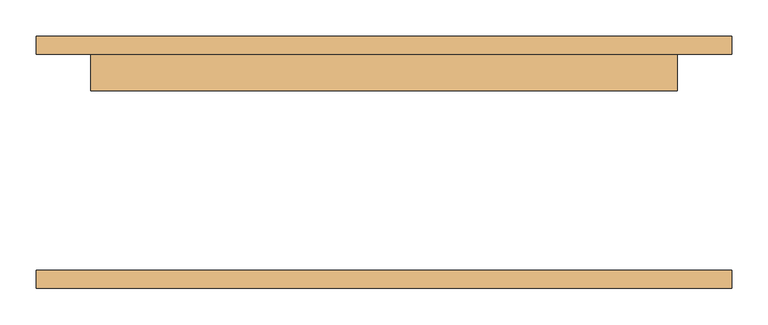
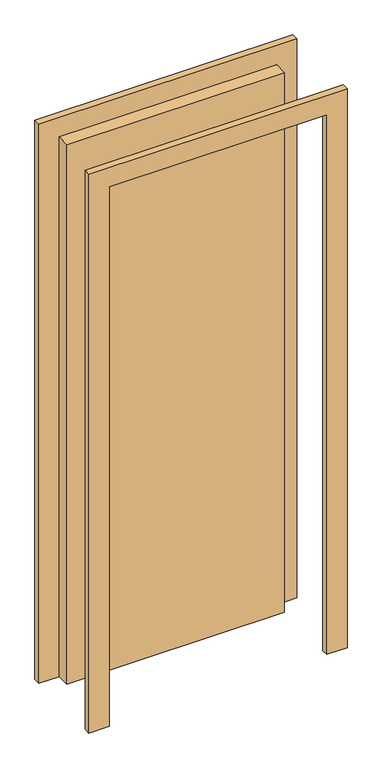
"""IFC4 building model written with IfcOpenShell, lengths in millimetres: door geometry."""

from ifc_helpers import new_model, si_unit, frame, origin, origin_with_axes, place, context, project, spatial, polyline, outline, extrude, source, transform, mapped, element, save


def door_73207d1c(model_context):
    return source(origin(), model_context, "Body", "SweptSolid", [
        extrude(outline(polyline([(2210.0, -482.5), (0.0, -482.5), (0.0, -406.5), (2134.0, -406.5), (2134.0, 406.5), (0.0, 406.5), (0.0, 482.5), (2210.0, 482.5), (2210.0, -482.5)])), frame((0.0, 150.0, 0.0), z_axis=(0.0, 1.0, 0.0), x_axis=(0.0, 0.0, 1.0)), (0.0, 0.0, 1.0), 25.0),
        extrude(outline(polyline([(2210.0, 482.5), (2210.0, -482.5), (0.0, -482.5), (0.0, -406.5), (2134.0, -406.5), (2134.0, 406.5), (0.0, 406.5), (0.0, 482.5), (2210.0, 482.5)])), frame((0.0, -175.0, 0.0), z_axis=(0.0, 1.0, 0.0), x_axis=(0.0, 0.0, 1.0)), (0.0, 0.0, 1.0), 25.0),
        extrude(outline(polyline([(406.5, 99.0), (-406.5, 99.0), (-406.5, 150.0), (406.5, 150.0), (406.5, 99.0)])), origin_with_axes(), (0.0, 0.0, 1.0), 2134.0),
    ])


if __name__ == "__main__":
    model = new_model("IFC4")
    model_context = context("Model", 3, world=origin())
    ifc_project = project(units=[si_unit("LENGTHUNIT", "METRE", prefix="MILLI")], contexts=[model_context])
    site = spatial("IfcSite", under=ifc_project)
    building = spatial("IfcBuilding", under=site)
    placement = place(None, origin())
    door_shape = door_73207d1c(model_context)
    element("IfcDoor", 1, at=placement, inside=building, context=model_context, shape_type="MappedRepresentation", body=[
        mapped(door_shape, transform((0.0, 0.0, 0.0), x_axis=(1.0, 0.0, 0.0), y_axis=(0.0, 1.0, 0.0), z_axis=(0.0, 0.0, 1.0))),
    ])
    save(model, "model.ifc")
